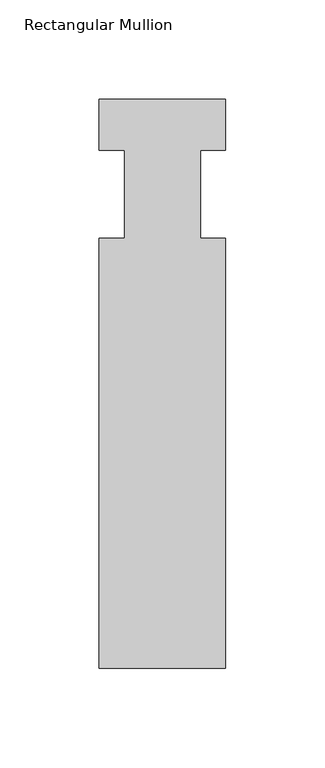
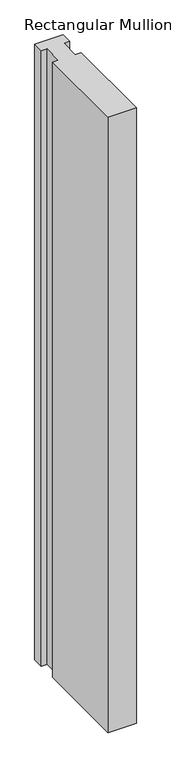
"""IFC4 building model written with IfcOpenShell, lengths in millimetres: member geometry, Rectangular Mullion."""

from ifc_helpers import new_model, si_unit, frame, origin, place, context, project, spatial, polyline, outline, extrude, source, transform, mapped, element, save


def rectangular_mullion_433ce092(model_context):
    return source(origin(), model_context, "Body", "SweptSolid", [
        extrude(outline(polyline([(31.75, -238.125), (-31.75, -238.125), (-31.75, -22.225), (-19.05, -22.225), (-19.05, 22.225), (-31.75, 22.225), (-31.75, 47.625), (31.75, 47.625), (31.75, 22.225), (19.05, 22.225), (19.05, -22.225), (31.75, -22.225), (31.75, -238.125)])), frame((0.0, 0.0, -1463.675), z_axis=(0.0, 0.0, 1.0), x_axis=(1.0, 0.0, 0.0)), (0.0, 0.0, 1.0), 1463.675),
    ])


if __name__ == "__main__":
    model = new_model("IFC4")
    model_context = context("Model", 3, world=origin())
    ifc_project = project(units=[si_unit("LENGTHUNIT", "METRE", prefix="MILLI")], contexts=[model_context])
    site = spatial("IfcSite", under=ifc_project)
    building = spatial("IfcBuilding", under=site)
    placement = place(None, origin())
    rectangular_mullion_shape = rectangular_mullion_433ce092(model_context)
    element("IfcMember", 1, ObjectType="Rectangular Mullion", at=placement, inside=building, context=model_context, shape_type="MappedRepresentation", body=[
        mapped(rectangular_mullion_shape, transform((0.0, 0.0, 0.0), x_axis=(1.0, 0.0, 0.0), y_axis=(0.0, 1.0, 0.0), z_axis=(0.0, 0.0, 1.0))),
    ])
    save(model, "model.ifc")
